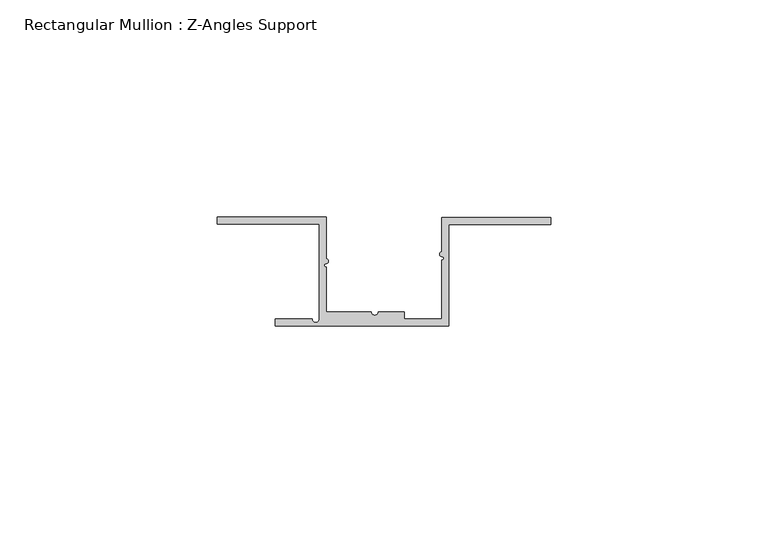
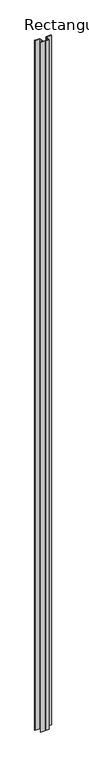
"""IFC4 building model written with IfcOpenShell, lengths in millimetres: member geometry, Rectangular Mullion : Z-Angles Support."""

from ifc_helpers import new_model, si_unit, point, frame, frame_2d, origin, place, context, project, spatial, polyline, circle_curve, trimmed, segment, composite_curve, outline, extrude, source, transform, mapped, element, save


def rectangular_mullion_z_angles_support_dde47e5d(model_context):
    return source(origin(), model_context, "Body", "SweptSolid", [
        extrude(outline(composite_curve([segment(polyline([(-8.2822457, 25.0804186), (-8.2822457, 15.4942032)]), True, "CONTINUOUS"), segment(trimmed(circle_curve(frame_2d((-8.2822457, 14.9339397)), 0.5602635), [point((-8.2822457, 15.4942032))], [point((-8.2822457, 14.3736763))], False, "CARTESIAN"), True, "CONTINUOUS"), segment(trimmed(circle_curve(frame_2d((-8.2822457, 13.9621553)), 0.411521), [point((-8.2822457, 14.3736763))], [point((-8.2822457, 13.5506343))], True, "CARTESIAN"), True, "CONTINUOUS"), segment(polyline([(-8.2822457, 13.5506343), (-8.2822457, 3.2804186), (2.1247985, 3.2804186)]), True, "CONTINUOUS"), segment(trimmed(circle_curve(frame_2d((2.9247985, 3.2804186)), 0.8), [point((2.1247985, 3.2804186))], [point((3.7247985, 3.2804186))], True, "CARTESIAN"), True, "CONTINUOUS"), segment(polyline([(3.7247985, 3.2804186), (9.7177543, 3.2804186), (9.7177543, 1.6), (18.4, 1.6), (18.4, 15.1583216)]), True, "CONTINUOUS"), segment(trimmed(circle_curve(frame_2d((18.4, 15.5698425)), 0.411521), [point((18.4, 15.1583216))], [point((18.4, 15.9813635))], True, "CARTESIAN"), True, "CONTINUOUS"), segment(trimmed(circle_curve(frame_2d((18.4, 16.541627)), 0.5602635), [point((18.4, 15.9813635))], [point((18.4, 17.1018905))], False, "CARTESIAN"), True, "CONTINUOUS"), segment(polyline([(18.4, 17.1018905), (18.4, 25.0), (43.4, 25.0), (43.4, 23.4), (20.0, 23.4), (20.0, 0.0), (-20.0, 0.0), (-20.0, 1.6), (-11.4572315, 1.6)]), True, "CONTINUOUS"), segment(trimmed(circle_curve(frame_2d((-10.6572315, 1.6)), 0.8), [point((-11.4572315, 1.6))], [point((-9.8822457, 1.7984868))], True, "CARTESIAN"), True, "CONTINUOUS"), segment(polyline([(-9.8822457, 1.7984868), (-9.8822457, 23.4804186), (-33.2822457, 23.4804186), (-33.2822457, 25.0804186), (-8.2822457, 25.0804186)]), True, "CONTINUOUS")], self_intersect=False)), frame((0.0, 0.0, -3400.0), z_axis=(0.0, 0.0, 1.0), x_axis=(1.0, 0.0, 0.0)), (0.0, 0.0, 1.0), 3400.0),
    ])


if __name__ == "__main__":
    model = new_model("IFC4")
    model_context = context("Model", 3, world=origin())
    ifc_project = project(units=[si_unit("LENGTHUNIT", "METRE", prefix="MILLI")], contexts=[model_context])
    site = spatial("IfcSite", under=ifc_project)
    building = spatial("IfcBuilding", under=site)
    placement = place(None, origin())
    rectangular_mullion_z_angles_support_shape = rectangular_mullion_z_angles_support_dde47e5d(model_context)
    element("IfcMember", 1, ObjectType="Rectangular Mullion : Z-Angles Support", at=placement, inside=building, context=model_context, shape_type="MappedRepresentation", body=[
        mapped(rectangular_mullion_z_angles_support_shape, transform((0.0, 0.0, 0.0), x_axis=(1.0, 0.0, 0.0), y_axis=(0.0, 1.0, 0.0), z_axis=(0.0, 0.0, 1.0))),
    ])
    save(model, "model.ifc")
